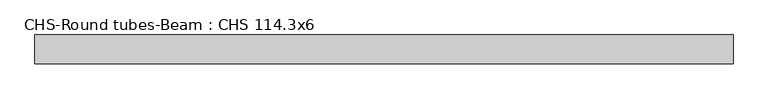
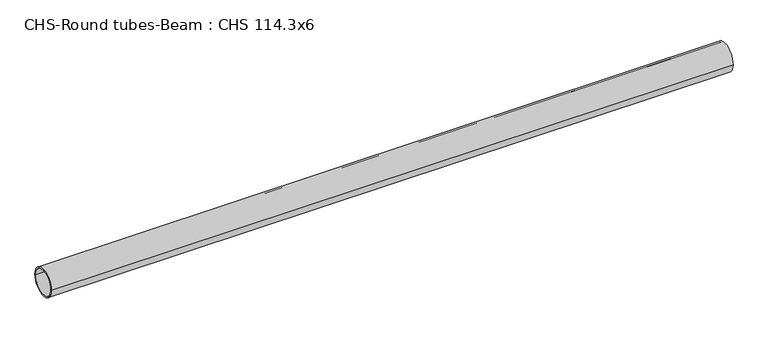
"""IFC4 building model written with IfcOpenShell, lengths in millimetres: beam geometry, CHS-Round tubes-Beam : CHS 114.3x6."""

from ifc_helpers import new_model, si_unit, point, frame, origin, origin_2d, place, context, project, spatial, circle_curve, trimmed, segment, composite_curve, outline, extrude, source, transform, mapped, element, save


def chs_round_tubes_beam_chs_114_3x6_3f2be574(model_context):
    return source(origin(), model_context, "Body", "SweptSolid", [
        extrude(outline(composite_curve([segment(trimmed(circle_curve(origin_2d(), 57.15), [point((57.15, 0.0))], [point((-57.15, 0.0))], False, "CARTESIAN"), True, "CONTINUOUS"), segment(trimmed(circle_curve(origin_2d(), 57.15), [point((-57.15, 0.0))], [point((57.15, 0.0))], False, "CARTESIAN"), True, "CONTINUOUS")], self_intersect=False), holes=[composite_curve([segment(trimmed(circle_curve(origin_2d(), 51.15), [point((51.15, 0.0))], [point((-51.15, 0.0))], True, "CARTESIAN"), True, "CONTINUOUS"), segment(trimmed(circle_curve(origin_2d(), 51.15), [point((-51.15, 0.0))], [point((51.15, 0.0))], True, "CARTESIAN"), True, "CONTINUOUS")], self_intersect=False)]), frame((-1331.1906651, 0.0, 0.0), z_axis=(1.0, 0.0, 0.0), x_axis=(0.0, 1.0, 0.0)), (0.0, 0.0, 1.0), 2747.4137466),
    ])


if __name__ == "__main__":
    model = new_model("IFC4")
    model_context = context("Model", 3, world=origin())
    ifc_project = project(units=[si_unit("LENGTHUNIT", "METRE", prefix="MILLI")], contexts=[model_context])
    site = spatial("IfcSite", under=ifc_project)
    building = spatial("IfcBuilding", under=site)
    placement = place(None, origin())
    chs_round_tubes_beam_chs_114_3x6_shape = chs_round_tubes_beam_chs_114_3x6_3f2be574(model_context)
    element("IfcBeam", 1, ObjectType="CHS-Round tubes-Beam : CHS 114.3x6", at=placement, inside=building, context=model_context, shape_type="MappedRepresentation", body=[
        mapped(chs_round_tubes_beam_chs_114_3x6_shape, transform((0.0, 0.0, 0.0), x_axis=(1.0, 0.0, 0.0), y_axis=(0.0, 1.0, 0.0), z_axis=(0.0, 0.0, 1.0))),
    ])
    save(model, "model.ifc")
